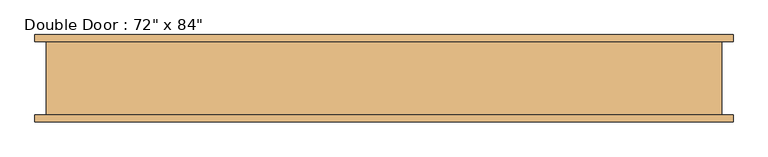
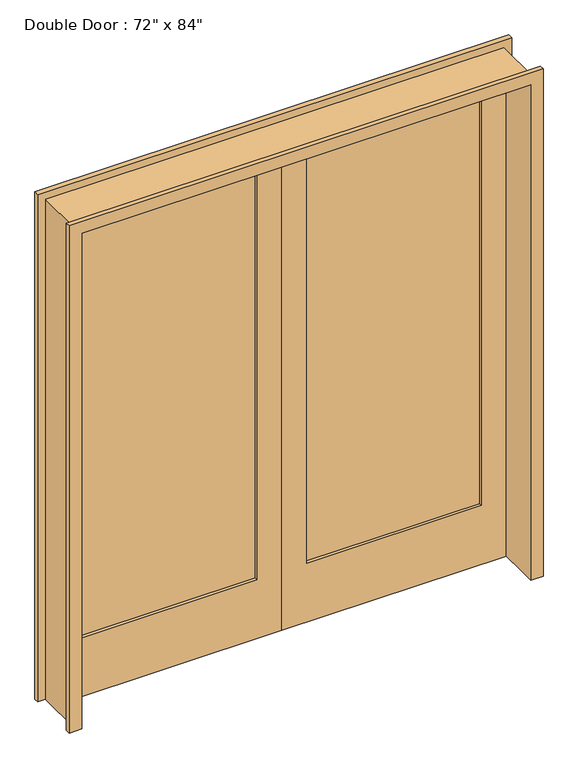
"""IFC4 building model written with IfcOpenShell, lengths in millimetres: door geometry."""

from ifc_helpers import new_model, si_unit, frame, origin, place, context, project, spatial, polyline, outline, extrude, faceted_brep, source, transform, mapped, element, save


def door_75a84872(model_context):
    return source(origin(), model_context, "Body", "SolidModel", [
        extrude(outline(polyline([(812.8, 63.5), (101.6, 63.5), (101.6, 76.2), (812.8, 76.2), (812.8, 63.5)])), frame((0.0, 0.0, 254.0), z_axis=(0.0, 0.0, 1.0), x_axis=(1.0, 0.0, 0.0)), (0.0, 0.0, 1.0), 1778.0),
        faceted_brep([(-965.2, -101.6, 0.0), (-933.45, -101.6, 0.0), (-933.45, 101.6, 0.0), (-965.2, 101.6, 0.0), (-965.2, 120.65, 0.0), (-914.4, 120.65, 0.0), (-914.4, -120.65, 0.0), (-965.2, -120.65, 0.0), (-965.2, -101.6, 2184.4), (965.2, -101.6, 2184.4), (965.2, -101.6, 0.0), (933.45, -101.6, 0.0), (933.45, -101.6, 2152.65), (-933.45, -101.6, 2152.65), (-933.45, 101.6, 2152.65), (933.45, 101.6, 2152.65), (933.45, 101.6, 0.0), (965.2, 101.6, 0.0), (965.2, 101.6, 2184.4), (-965.2, 101.6, 2184.4), (-965.2, 120.65, 2184.4), (965.2, 120.65, 2184.4), (965.2, 120.65, 0.0), (914.4, 120.65, 0.0), (914.4, 120.65, 2133.6), (-914.4, 120.65, 2133.6), (-914.4, -120.65, 2133.6), (914.4, -120.65, 2133.6), (914.4, -120.65, 0.0), (965.2, -120.65, 0.0), (965.2, -120.65, 2184.4), (-965.2, -120.65, 2184.4)], [[[0, 1, 2, 3, 4, 5, 6, 7]], [[1, 0, 8, 9, 10, 11, 12, 13]], [[2, 1, 13, 14]], [[3, 2, 14, 15, 16, 17, 18, 19]], [[4, 3, 19, 20]], [[5, 4, 20, 21, 22, 23, 24, 25]], [[6, 5, 25, 26]], [[7, 6, 26, 27, 28, 29, 30, 31]], [[0, 7, 31, 8]], [[13, 12, 15, 14]], [[19, 18, 21, 20]], [[25, 24, 27, 26]], [[9, 8, 31, 30]], [[11, 10, 29, 28, 23, 22, 17, 16]], [[12, 11, 16, 15]], [[18, 17, 22, 21]], [[24, 23, 28, 27]], [[10, 9, 30, 29]]]),
        extrude(outline(polyline([(-101.6, 63.5), (-812.8, 63.5), (-812.8, 76.2), (-101.6, 76.2), (-101.6, 63.5)])), frame((0.0, 0.0, 254.0), z_axis=(0.0, 0.0, 1.0), x_axis=(1.0, 0.0, 0.0)), (0.0, 0.0, 1.0), 1778.0),
        extrude(outline(polyline([(2133.6, 0.0), (0.0, 0.0), (0.0, 914.4), (2133.6, 914.4), (2133.6, 0.0)]), holes=[polyline([(2032.0, 812.8), (254.0, 812.8), (254.0, 101.6), (2032.0, 101.6), (2032.0, 812.8)])]), frame((0.0, 50.8, 0.0), z_axis=(0.0, 1.0, 0.0), x_axis=(0.0, 0.0, 1.0)), (0.0, 0.0, 1.0), 50.8),
        extrude(outline(polyline([(2133.6, 0.0), (2133.6, -914.4), (0.0, -914.4), (0.0, 0.0), (2133.6, 0.0)]), holes=[polyline([(2032.0, -101.6), (254.0, -101.6), (254.0, -812.8), (2032.0, -812.8), (2032.0, -101.6)])]), frame((0.0, 50.8, 0.0), z_axis=(0.0, 1.0, 0.0), x_axis=(0.0, 0.0, 1.0)), (0.0, 0.0, 1.0), 50.8),
    ])


if __name__ == "__main__":
    model = new_model("IFC4")
    model_context = context("Model", 3, world=origin())
    ifc_project = project(units=[si_unit("LENGTHUNIT", "METRE", prefix="MILLI")], contexts=[model_context])
    site = spatial("IfcSite", under=ifc_project)
    building = spatial("IfcBuilding", under=site)
    placement = place(None, origin())
    door_shape = door_75a84872(model_context)
    element("IfcDoor", 1, ObjectType="Double Door : 72\" x 84\"", at=placement, inside=building, context=model_context, shape_type="MappedRepresentation", body=[
        mapped(door_shape, transform((0.0, 0.0, 0.0), x_axis=(1.0, 0.0, 0.0), y_axis=(0.0, 1.0, 0.0), z_axis=(0.0, 0.0, 1.0))),
    ])
    save(model, "model.ifc")
